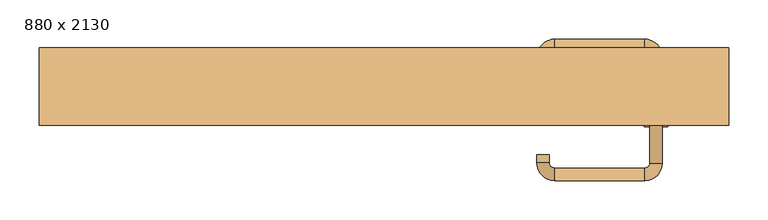
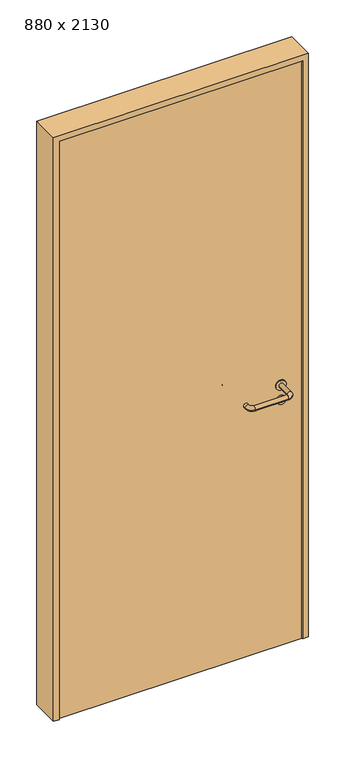
"""IFC4 building model written with IfcOpenShell, lengths in millimetres: door geometry, 880 x 2130."""

import ifcopenshell
import ifcopenshell.guid

model = None  # the IFC model being written
_history = None  # IfcOwnerHistory: only IFC2X3 demands one
_inside = {}  # id of a spatial element -> (the spatial element, [elements in it])
_under = {}  # id of a project, library or spatial element -> (it, [spatial elements below it])
_declared = {}  # id of a project -> (the project, [libraries it declares])
_typed = {}  # id of a type object -> (the type object, [elements of that type])
_made_of = {}  # id of a material, layer set ... -> (it, [elements and type objects made of it])


def new_model(schema):
    """Start an empty IFC model of exactly this schema.

    Asked for "IFC4X3", IfcOpenShell would pick the latest addendum, in which some entities
    have other attributes; the version numbers below select the first issue.
    IFC2X3 requires an IfcOwnerHistory on every rooted entity: one is made here for all.
    """
    global model, _history
    if schema == "IFC4X3":
        model = ifcopenshell.file(schema_version=(4, 3, 0, 0))
    else:
        model = ifcopenshell.file(schema=schema)
    _inside.clear()
    _under.clear()
    _declared.clear()
    _typed.clear()
    _made_of.clear()
    _history = None
    if model.schema == "IFC2X3":
        org = make("IfcOrganization", Name="unknown")
        user = make(
            "IfcPersonAndOrganization",
            ThePerson=make("IfcPerson", FamilyName="unknown"),
            TheOrganization=org,
        )
        app = make(
            "IfcApplication",
            ApplicationDeveloper=org,
            Version="unknown",
            ApplicationFullName="unknown",
            ApplicationIdentifier="unknown",
        )
        _history = make(
            "IfcOwnerHistory",
            OwningUser=user,
            OwningApplication=app,
            ChangeAction="ADDED",
            CreationDate=0,
        )
    return model


def make(cls, **values):
    """One entity of the class cls with the attributes given. An attribute that is None is left unset."""
    return model.create_entity(
        cls, **{name: value for name, value in values.items() if value is not None}
    )


def rooted(cls, **values):
    """An entity with a GlobalId (a new one), such as an element, a storey or a relation."""
    return make(cls, GlobalId=ifcopenshell.guid.new(), OwnerHistory=_history, **values)


def si_unit(unit_type, name, prefix=None):
    """IfcSIUnit, for example si_unit("LENGTHUNIT", "METRE", prefix="MILLI")."""
    return make("IfcSIUnit", UnitType=unit_type, Prefix=prefix, Name=name)


def assignment(units):
    """IfcUnitAssignment: the units of a project."""
    return None if units is None else make("IfcUnitAssignment", Units=units)


def point(xyz):
    """IfcCartesianPoint."""
    return None if xyz is None else make("IfcCartesianPoint", Coordinates=xyz)


def direction(xyz):
    """IfcDirection."""
    return None if xyz is None else make("IfcDirection", DirectionRatios=xyz)


def frame(location, z_axis=None, x_axis=None):
    """IfcAxis2Placement3D, a coordinate frame: its origin and axes. An axis left out is left unset."""
    return make(
        "IfcAxis2Placement3D",
        Location=point(location),
        Axis=direction(z_axis),
        RefDirection=direction(x_axis),
    )


def frame_2d(location, x_axis=None):
    """IfcAxis2Placement2D, a coordinate frame in the plane: its origin and x axis."""
    return make(
        "IfcAxis2Placement2D", Location=point(location), RefDirection=direction(x_axis)
    )


def origin():
    """The frame at (0, 0, 0) with its axes left unset."""
    return frame((0.0, 0.0, 0.0))


def origin_with_axes():
    """The frame at (0, 0, 0) with the z axis (0, 0, 1) and the x axis (1, 0, 0) written out."""
    return frame((0.0, 0.0, 0.0), z_axis=(0.0, 0.0, 1.0), x_axis=(1.0, 0.0, 0.0))


def place(relative_to, where):
    """IfcLocalPlacement: puts the frame where relative to a parent placement (None: the world)."""
    return make(
        "IfcLocalPlacement", PlacementRelTo=relative_to, RelativePlacement=where
    )


def context(
    kind, dimensions, precision=None, world=None, true_north=None, identifier=None
):
    """IfcGeometricRepresentationContext, for example the 3D "Model" context."""
    return make(
        "IfcGeometricRepresentationContext",
        ContextIdentifier=identifier,
        ContextType=kind,
        CoordinateSpaceDimension=dimensions,
        Precision=precision,
        WorldCoordinateSystem=world,
        TrueNorth=true_north,
    )


def project(units=None, contexts=None):
    """IfcProject with its units and contexts."""
    return rooted(
        "IfcProject",
        Name="project",
        RepresentationContexts=contexts,
        UnitsInContext=assignment(units),
    )


def spatial(cls, under=None, at=None, **own):
    """A site, building, storey or space (cls), placed at a placement, below another one or the project."""
    s = rooted(cls, ObjectPlacement=at, **own)
    if under is not None:
        _under.setdefault(under.id(), (under, []))[1].append(s)
    return s


def polyline(points):
    """IfcPolyline through the points."""
    return make("IfcPolyline", Points=[point(p) for p in points])


def circle_curve(where, radius):
    """IfcCircle in the frame where."""
    return make("IfcCircle", Position=where, Radius=radius)


def ellipse_curve(where, semi_axis1, semi_axis2):
    """IfcEllipse in the frame where."""
    return make(
        "IfcEllipse", Position=where, SemiAxis1=semi_axis1, SemiAxis2=semi_axis2
    )


def trimmed(basis, trim1, trim2, sense, master):
    """IfcTrimmedCurve: the piece of a basis curve between two trims."""
    return make(
        "IfcTrimmedCurve",
        BasisCurve=basis,
        Trim1=trim1,
        Trim2=trim2,
        SenseAgreement=sense,
        MasterRepresentation=master,
    )


def segment(curve, same_sense, transition):
    """IfcCompositeCurveSegment."""
    return make(
        "IfcCompositeCurveSegment",
        Transition=transition,
        SameSense=same_sense,
        ParentCurve=curve,
    )


def composite_curve(segments, self_intersect=None):
    """IfcCompositeCurve: segments joined end to end."""
    return make("IfcCompositeCurve", Segments=segments, SelfIntersect=self_intersect)


def outline(outer, holes=None, kind="AREA"):
    """IfcArbitraryClosedProfileDef: a profile drawn as a closed curve; with holes, ...WithVoids."""
    if holes is None:
        return make("IfcArbitraryClosedProfileDef", ProfileType=kind, OuterCurve=outer)
    return make(
        "IfcArbitraryProfileDefWithVoids",
        ProfileType=kind,
        OuterCurve=outer,
        InnerCurves=holes,
    )


def extrude(swept, where, along, depth):
    """IfcExtrudedAreaSolid: the profile swept, set in the frame where, extruded along a direction by depth."""
    return make(
        "IfcExtrudedAreaSolid",
        SweptArea=swept,
        Position=where,
        ExtrudedDirection=direction(along),
        Depth=depth,
    )


def shape(context_of_items, identifier, shape_type, items):
    """IfcShapeRepresentation: the items that make up one representation, for example the "Body"."""
    return make(
        "IfcShapeRepresentation",
        ContextOfItems=context_of_items,
        RepresentationIdentifier=identifier,
        RepresentationType=shape_type,
        Items=items,
    )


def source(mapping_origin, context_of_items, identifier, shape_type, items):
    """IfcRepresentationMap: a shape defined once, which mapped items show again and again."""
    return make(
        "IfcRepresentationMap",
        MappingOrigin=mapping_origin,
        MappedRepresentation=shape(context_of_items, identifier, shape_type, items),
    )


def transform(
    local_origin,
    x_axis=None,
    y_axis=None,
    z_axis=None,
    scale=None,
    scale2=None,
    scale3=None,
    uniform=True,
):
    """IfcCartesianTransformationOperator3D, or its non-uniform kind. x_axis, y_axis, z_axis: its Axis1, 2, 3."""
    if uniform:
        return make(
            "IfcCartesianTransformationOperator3D",
            Axis1=direction(x_axis),
            Axis2=direction(y_axis),
            LocalOrigin=point(local_origin),
            Scale=scale,
            Axis3=direction(z_axis),
        )
    return make(
        "IfcCartesianTransformationOperator3DnonUniform",
        Axis1=direction(x_axis),
        Axis2=direction(y_axis),
        LocalOrigin=point(local_origin),
        Scale=scale,
        Axis3=direction(z_axis),
        Scale2=scale2,
        Scale3=scale3,
    )


def mapped(mapping_source, mapping_target):
    """IfcMappedItem: shows the shape of a source again, moved by a transform."""
    return make(
        "IfcMappedItem", MappingSource=mapping_source, MappingTarget=mapping_target
    )


def made_of(thing, what):
    """Note that an element or type object is made of a material, layer set ...; save() writes the relation."""
    if what is not None:
        _made_of.setdefault(what.id(), (what, []))[1].append(thing)
    return thing


def element(
    cls,
    number,
    at=None,
    inside=None,
    cuts=None,
    type_object=None,
    material=None,
    context=None,
    identifier="Body",
    shape_type=None,
    held_by="IfcProductDefinitionShape",
    body=None,
    shapes=None,
    **own,
):
    """One element of the class cls, such as IfcWall. Its Tag is "e" and its number.

    at: its placement. inside: the storey or other place that contains it. cuts: it is an
    opening in that element (IfcRelVoidsElement). A single representation is given by context,
    identifier, shape_type and body (its items); several are given by shapes. held_by: the class
    of the entity that holds the representations. save() writes the other relations.
    """
    e = rooted(cls, Tag="e%d" % number, ObjectPlacement=at, **own)
    if body is not None:
        shapes = [shape(context, identifier, shape_type, body)]
    if shapes is not None:
        e.Representation = make(held_by, Representations=shapes)
    if inside is not None:
        _inside.setdefault(inside.id(), (inside, []))[1].append(e)
    if cuts is not None:
        rooted(
            "IfcRelVoidsElement", RelatingBuildingElement=cuts, RelatedOpeningElement=e
        )
    if type_object is not None:
        _typed.setdefault(type_object.id(), (type_object, []))[1].append(e)
    return made_of(e, material)


def aggregate(whole, parts):
    """IfcRelAggregates: a whole, such as a stair, and the parts it consists of."""
    return rooted("IfcRelAggregates", RelatingObject=whole, RelatedObjects=parts)


def save(model, path):
    """Write the relations noted so far, then the file.

    IfcRelAggregates (storeys below a building ...), IfcRelContainedInSpatialStructure (elements
    in a storey), IfcRelDefinesByType, IfcRelAssociatesMaterial and IfcRelDeclares: one each for
    every whole, place, type object, material and project.
    """
    for whole, parts in _under.values():
        aggregate(whole, parts)
    for where, things in _inside.values():
        rooted(
            "IfcRelContainedInSpatialStructure",
            RelatedElements=things,
            RelatingStructure=where,
        )
    for kind, things in _typed.values():
        rooted("IfcRelDefinesByType", RelatedObjects=things, RelatingType=kind)
    for what, things in _made_of.values():
        rooted("IfcRelAssociatesMaterial", RelatedObjects=things, RelatingMaterial=what)
    for by, libraries in _declared.values():
        rooted("IfcRelDeclares", RelatingContext=by, RelatedDefinitions=libraries)
    model.write(path)


def plane_surface(at):
    """IfcPlane: the flat surface through the origin of the frame at, square to its z axis."""
    return make("IfcPlane", Position=at)


def cylinder_surface(at, radius):
    """IfcCylindricalSurface: all points at the distance radius from the z axis of the frame at."""
    return make("IfcCylindricalSurface", Position=at, Radius=radius)


def revolved_surface(curve, axis_point, axis_direction):
    """IfcSurfaceOfRevolution: the curve turned about the line through axis_point along axis_direction."""
    return make(
        "IfcSurfaceOfRevolution",
        SweptCurve=make("IfcArbitraryOpenProfileDef", ProfileType="CURVE", Curve=curve),
        AxisPosition=make("IfcAxis1Placement", Location=point(axis_point), Axis=direction(axis_direction)),
    )


def advanced_brep(points, edges, surfaces, faces):
    """IfcAdvancedBrep: a solid bounded by faces that lie on surfaces and meet in shared edges.

    An edge is (start, end): straight between two places in points (the first is 0);
    or (start, end, curve); or (start, end, curve, False) where it runs against its curve.
    A face is (place in surfaces, loops), or (place, loops, False) where it looks against
    its surface's normal. A loop lists edges by number (the first is 1), with a minus sign
    where the edge is run from its end to its start. The first loop is the outer one.
    """
    corners = [point(p) for p in points]
    vertices = [make("IfcVertexPoint", VertexGeometry=c) for c in corners]
    made = []
    for start, end, *more in edges:
        made.append(
            make(
                "IfcEdgeCurve",
                EdgeStart=vertices[start],
                EdgeEnd=vertices[end],
                EdgeGeometry=more[0] if more else make("IfcPolyline", Points=[corners[start], corners[end]]),
                SameSense=more[1] if len(more) > 1 else True,
            )
        )
    hull = []
    for where, loops, *sense in faces:
        bounds = []
        for j, loop in enumerate(loops):
            ring = [make("IfcOrientedEdge", EdgeElement=made[abs(k) - 1], Orientation=k > 0) for k in loop]
            bounds.append(
                make(
                    "IfcFaceOuterBound" if j == 0 else "IfcFaceBound",
                    Bound=make("IfcEdgeLoop", EdgeList=ring),
                    Orientation=True,
                )
            )
        hull.append(make("IfcAdvancedFace", Bounds=bounds, FaceSurface=surfaces[where], SameSense=sense[0] if sense else True))
    return make("IfcAdvancedBrep", Outer=make("IfcClosedShell", CfsFaces=hull))


def door_880_x_2130_bc393375(model_context):
    return source(origin(), model_context, "Body", "SolidModel", [
        extrude(outline(composite_curve([segment(trimmed(circle_curve(frame_2d((897.3605726, 347.0)), 15.0), [point((897.3605726, 362.0))], [point((897.3605726, 332.0))], False, "CARTESIAN"), True, "CONTINUOUS"), segment(trimmed(circle_curve(frame_2d((897.3605726, 347.0)), 15.0), [point((897.3605726, 332.0))], [point((897.3605726, 362.0))], False, "CARTESIAN"), True, "CONTINUOUS")], self_intersect=False), holes=[composite_curve([segment(trimmed(circle_curve(frame_2d((892.5833211, 346.9398032)), 2.0), [point((892.5833211, 348.9398032))], [point((892.5833211, 344.9398032))], True, "CARTESIAN"), True, "CONTINUOUS"), segment(polyline([(892.5833211, 344.9398032), (902.5833211, 344.9398032)]), True, "CONTINUOUS"), segment(trimmed(circle_curve(frame_2d((902.5833211, 346.9398032)), 2.0), [point((902.5833211, 344.9398032))], [point((902.5833211, 348.9398032))], True, "CARTESIAN"), True, "CONTINUOUS"), segment(polyline([(902.5833211, 348.9398032), (892.5833211, 348.9398032)]), True, "CONTINUOUS")], self_intersect=False)]), frame((0.0, -15.0, 0.0), z_axis=(0.0, 1.0, 0.0), x_axis=(0.0, 0.0, 1.0)), (0.0, 0.0, 1.0), 6.35),
        extrude(outline(composite_curve([segment(trimmed(circle_curve(frame_2d((950.0, 347.0)), 17.526), [point((950.0, 364.526))], [point((950.0, 329.474))], False, "CARTESIAN"), True, "CONTINUOUS"), segment(trimmed(circle_curve(frame_2d((950.0, 347.0)), 17.526), [point((950.0, 329.474))], [point((950.0, 364.526))], False, "CARTESIAN"), True, "CONTINUOUS")], self_intersect=False)), frame((0.0, -15.0, 0.0), z_axis=(0.0, 1.0, 0.0), x_axis=(0.0, 0.0, 1.0)), (0.0, 0.0, 1.0), 3.175),
        advanced_brep(
        [(355.0, -15.0, 950.0), (339.0, -15.0, 950.0), (355.0, 38.0, 950.0), (339.0, 38.0, 950.0), (332.8578644, 44.1421356, 950.0), (332.8578644, 60.1421356, 950.0), (217.8578644, 60.1421356, 950.0), (217.8578644, 44.1421356, 950.0), (211.008622, 37.2928932, 950.0), (195.008622, 37.2928932, 950.0), (195.008622, 27.2928932, 950.0), (211.008622, 27.2928932, 950.0)],
        [
            (0, 1, circle_curve(frame((347.0, -15.0, 950.0), z_axis=(0.0, -1.0, 0.0), x_axis=(-1.0, 0.0, 0.0)), 8.0)),
            (1, 0, circle_curve(frame((347.0, -15.0, 950.0), z_axis=(0.0, -1.0, 0.0), x_axis=(-1.0, 0.0, 0.0)), 8.0)),
            (0, 2),
            (2, 3, circle_curve(frame((347.0, 38.0, 950.0), z_axis=(0.0, -1.0, 0.0), x_axis=(-1.0, 0.0, 0.0)), 8.0)),
            (3, 1),
            (3, 2, circle_curve(frame((347.0, 38.0, 950.0), z_axis=(0.0, -1.0, 0.0), x_axis=(-1.0, 0.0, 0.0)), 8.0)),
            (4, 3, circle_curve(frame((332.8578644, 38.0, 950.0), z_axis=(0.0, 0.0, -1.0), x_axis=(1.0, 0.0, 0.0)), 6.1421356)),
            (2, 5, circle_curve(frame((332.8578644, 38.0, 950.0), z_axis=(0.0, 0.0, 1.0), x_axis=(1.0, 0.0, 0.0)), 22.1421356)),
            (5, 4, circle_curve(frame((332.8578644, 52.1421356, 950.0), z_axis=(1.0, 0.0, 0.0), x_axis=(0.0, -1.0, 0.0)), 8.0)),
            (4, 5, circle_curve(frame((332.8578644, 52.1421356, 950.0), z_axis=(1.0, 0.0, 0.0), x_axis=(0.0, -1.0, 0.0)), 8.0)),
            (5, 6),
            (6, 7, circle_curve(frame((217.8578644, 52.1421356, 950.0), z_axis=(1.0, 0.0, 0.0), x_axis=(0.0, -1.0, 0.0)), 8.0)),
            (7, 4),
            (7, 6, circle_curve(frame((217.8578644, 52.1421356, 950.0), z_axis=(1.0, 0.0, 0.0), x_axis=(0.0, -1.0, 0.0)), 8.0)),
            (8, 7, circle_curve(frame((217.8578644, 37.2928932, 950.0), z_axis=(0.0, 0.0, -1.0), x_axis=(0.0, 1.0, 0.0)), 6.8492424)),
            (6, 9, circle_curve(frame((217.8578644, 37.2928932, 950.0), z_axis=(0.0, 0.0, 1.0), x_axis=(0.0, 1.0, 0.0)), 22.8492424)),
            (9, 8, circle_curve(frame((203.008622, 37.2928932, 950.0), z_axis=(0.0, 1.0, 0.0), x_axis=(1.0, 0.0, 0.0)), 8.0)),
            (8, 9, circle_curve(frame((203.008622, 37.2928932, 950.0), z_axis=(0.0, 1.0, 0.0), x_axis=(1.0, 0.0, 0.0)), 8.0)),
            (10, 11, circle_curve(frame((203.008622, 27.2928932, 950.0), z_axis=(0.0, -1.0, 0.0), x_axis=(1.0, 0.0, 0.0)), 8.0)),
            (11, 10, circle_curve(frame((203.008622, 27.2928932, 950.0), z_axis=(0.0, -1.0, 0.0), x_axis=(1.0, 0.0, 0.0)), 8.0)),
            (9, 10),
            (11, 8),
        ],
        [
            plane_surface(frame((347.0, -15.0, 0.0), z_axis=(0.0, -1.0, 0.0), x_axis=(0.0, 0.0, 1.0))),
            cylinder_surface(frame((347.0, -15.0, 950.0), z_axis=(0.0, -1.0, 0.0), x_axis=(-1.0, 0.0, 0.0)), 8.0),
            revolved_surface(trimmed(ellipse_curve(frame((347.0, 38.0, 950.0), z_axis=(0.0, -1.0, 0.0), x_axis=(-1.0, 0.0, 0.0)), 8.0, 8.0), [point((355.0, 38.0, 950.0))], [point((339.0, 38.0, 950.0))], True, "CARTESIAN"), (332.8578644, 38.0, 0.0), (0.0, 0.0, 1.0)),
            revolved_surface(trimmed(ellipse_curve(frame((347.0, 38.0, 950.0), z_axis=(0.0, -1.0, 0.0), x_axis=(-1.0, 0.0, 0.0)), 8.0, 8.0), [point((339.0, 38.0, 950.0))], [point((355.0, 38.0, 950.0))], True, "CARTESIAN"), (332.8578644, 38.0, 0.0), (0.0, 0.0, 1.0)),
            cylinder_surface(frame((332.8578644, 52.1421356, 950.0), z_axis=(1.0, 0.0, 0.0), x_axis=(0.0, -1.0, 0.0)), 8.0),
            revolved_surface(trimmed(ellipse_curve(frame((217.8578644, 52.1421356, 950.0), z_axis=(1.0, 0.0, 0.0), x_axis=(0.0, -1.0, 0.0)), 8.0, 8.0), [point((217.8578644, 60.1421356, 950.0))], [point((217.8578644, 44.1421356, 950.0))], True, "CARTESIAN"), (217.8578644, 37.2928932, 0.0), (0.0, 0.0, 1.0)),
            revolved_surface(trimmed(ellipse_curve(frame((217.8578644, 52.1421356, 950.0), z_axis=(1.0, 0.0, 0.0), x_axis=(0.0, -1.0, 0.0)), 8.0, 8.0), [point((217.8578644, 44.1421356, 950.0))], [point((217.8578644, 60.1421356, 950.0))], True, "CARTESIAN"), (217.8578644, 37.2928932, 0.0), (0.0, 0.0, 1.0)),
            plane_surface(frame((203.008622, 27.2928932, 0.0), z_axis=(0.0, -1.0, 0.0), x_axis=(0.0, 0.0, 1.0))),
            cylinder_surface(frame((203.008622, 37.2928932, 950.0), z_axis=(0.0, 1.0, 0.0), x_axis=(1.0, 0.0, 0.0)), 8.0),
        ],
        [
            (0, [[1, 2]]),
            (1, [[-1, 3, 4, 5]]),
            (1, [[-2, -5, 6, -3]]),
            (2, [[7, -4, 8, 9]]),
            (3, [[-8, -6, -7, 10]]),
            (4, [[-9, 11, 12, 13]]),
            (4, [[-10, -13, 14, -11]]),
            (5, [[15, -12, 16, 17]]),
            (6, [[-16, -14, -15, 18]]),
            (7, [[19, 20]]),
            (8, [[-17, 21, -20, 22]]),
            (8, [[-18, -22, -19, -21]]),
        ],
    ),
        extrude(outline(composite_curve([segment(trimmed(circle_curve(frame_2d((0.0, 15.0)), 15.0), [point((0.0, 30.0))], [point((0.0, 0.0))], False, "CARTESIAN"), True, "CONTINUOUS"), segment(trimmed(circle_curve(frame_2d((0.0, 15.0)), 15.0), [point((0.0, 0.0))], [point((0.0, 30.0))], False, "CARTESIAN"), True, "CONTINUOUS")], self_intersect=False), holes=[composite_curve([segment(trimmed(circle_curve(frame_2d((-4.7772515, 14.9398032)), 2.0), [point((-4.7772515, 16.9398032))], [point((-4.7772515, 12.9398032))], True, "CARTESIAN"), True, "CONTINUOUS"), segment(polyline([(-4.7772515, 12.9398032), (5.2227485, 12.9398032)]), True, "CONTINUOUS"), segment(trimmed(circle_curve(frame_2d((5.2227485, 14.9398032)), 2.0), [point((5.2227485, 12.9398032))], [point((5.2227485, 16.9398032))], True, "CARTESIAN"), True, "CONTINUOUS"), segment(polyline([(5.2227485, 16.9398032), (-4.7772515, 16.9398032)]), True, "CONTINUOUS")], self_intersect=False)]), frame((332.0, -51.35, 897.3605726), z_axis=(-1.8870575173328306e-12, 1.0, 0.0), x_axis=(0.0, 0.0, 1.0)), (0.0, 0.0, 1.0), 6.35),
        extrude(outline(composite_curve([segment(trimmed(circle_curve(frame_2d((0.0, 17.526)), 17.526), [point((0.0, 35.052))], [point((0.0, 0.0))], False, "CARTESIAN"), True, "CONTINUOUS"), segment(trimmed(circle_curve(frame_2d((0.0, 17.526)), 17.526), [point((0.0, 0.0))], [point((0.0, 35.052))], False, "CARTESIAN"), True, "CONTINUOUS")], self_intersect=False)), frame((329.474, -48.175, 950.0), z_axis=(-1.8870575173328306e-12, 1.0, 0.0), x_axis=(0.0, 0.0, 1.0)), (0.0, 0.0, 1.0), 3.175),
        advanced_brep(
        [(355.0, -45.0, 950.0), (339.0, -45.0, 950.0), (339.0, -98.0, 950.0), (355.0, -98.0, 950.0), (332.8578644, -104.1421356, 950.0), (332.8578644, -120.1421356, 950.0), (217.8578644, -104.1421356, 950.0), (217.8578644, -120.1421356, 950.0), (211.008622, -97.2928932, 950.0), (195.008622, -97.2928932, 950.0), (195.008622, -87.2928932, 950.0), (211.008622, -87.2928932, 950.0)],
        [
            (0, 1, circle_curve(frame((347.0, -45.0, 950.0), z_axis=(-1.888672253512351e-12, 1.0, 0.0), x_axis=(-1.0, -1.888672253512351e-12, 0.0)), 8.0)),
            (1, 0, circle_curve(frame((347.0, -45.0, 950.0), z_axis=(-1.888672253512351e-12, 1.0, 0.0), x_axis=(-1.0, -1.888672253512351e-12, 0.0)), 8.0)),
            (1, 2),
            (2, 3, circle_curve(frame((347.0, -98.0, 950.0), z_axis=(-1.888672253512351e-12, 1.0, 0.0), x_axis=(-1.0, -1.888672253512351e-12, 0.0)), 8.0)),
            (3, 0),
            (3, 2, circle_curve(frame((347.0, -98.0, 950.0), z_axis=(-1.888672253512351e-12, 1.0, 0.0), x_axis=(-1.0, -1.888672253512351e-12, 0.0)), 8.0)),
            (4, 5, circle_curve(frame((332.8578644, -112.1421356, 950.0), z_axis=(1.0, 1.913702061528922e-12, 0.0), x_axis=(-1.913702061528922e-12, 1.0, 0.0)), 8.0)),
            (5, 3, circle_curve(frame((332.8578644, -98.0, 950.0), z_axis=(0.0, 0.0, 1.0), x_axis=(1.0, 1.880717803715015e-12, 0.0)), 22.1421356)),
            (2, 4, circle_curve(frame((332.8578644, -98.0, 950.0), z_axis=(0.0, 0.0, -1.0), x_axis=(1.0, 1.880717803715015e-12, 0.0)), 6.1421356)),
            (5, 4, circle_curve(frame((332.8578644, -112.1421356, 950.0), z_axis=(1.0, 1.913702061528922e-12, 0.0), x_axis=(-1.913702061528922e-12, 1.0, 0.0)), 8.0)),
            (4, 6),
            (6, 7, circle_curve(frame((217.8578644, -112.1421356, 950.0), z_axis=(1.0, 1.913719828541269e-12, 0.0), x_axis=(-1.913719828541269e-12, 1.0, 0.0)), 8.0)),
            (7, 5),
            (7, 6, circle_curve(frame((217.8578644, -112.1421356, 950.0), z_axis=(1.0, 1.913719828541269e-12, 0.0), x_axis=(-1.913719828541269e-12, 1.0, 0.0)), 8.0)),
            (8, 9, circle_curve(frame((203.008622, -97.2928932, 950.0), z_axis=(1.8888942981172756e-12, -1.0, 0.0), x_axis=(1.0, 1.8888942981172756e-12, 0.0)), 8.0)),
            (9, 7, circle_curve(frame((217.8578644, -97.2928932, 950.0), z_axis=(0.0, 0.0, 1.0), x_axis=(1.9120873253494017e-12, -1.0, 0.0)), 22.8492424)),
            (6, 8, circle_curve(frame((217.8578644, -97.2928932, 950.0), z_axis=(0.0, 0.0, -1.0), x_axis=(1.9120873253494017e-12, -1.0, 0.0)), 6.8492424)),
            (9, 8, circle_curve(frame((203.008622, -97.2928932, 950.0), z_axis=(1.890448610351751e-12, -1.0, 0.0), x_axis=(1.0, 1.890448610351751e-12, 0.0)), 8.0)),
            (10, 11, circle_curve(frame((203.008622, -87.2928932, 950.0), z_axis=(-1.8903642334018795e-12, 1.0, 0.0), x_axis=(1.0, 1.8903642334018795e-12, 0.0)), 8.0)),
            (11, 10, circle_curve(frame((203.008622, -87.2928932, 950.0), z_axis=(-1.8903642334018795e-12, 1.0, 0.0), x_axis=(1.0, 1.8903642334018795e-12, 0.0)), 8.0)),
            (8, 11),
            (10, 9),
        ],
        [
            plane_surface(frame((347.0, -45.0, 0.0), z_axis=(-1.8870575173328306e-12, 1.0, 0.0), x_axis=(0.0, 0.0, 1.0))),
            cylinder_surface(frame((347.0, -45.0, 950.0), z_axis=(-1.888672253512351e-12, 1.0, 0.0), x_axis=(-1.0, -1.888672253512351e-12, 0.0)), 8.0),
            revolved_surface(trimmed(ellipse_curve(frame((347.0, -98.0, 950.0), z_axis=(1.8823325398945356e-12, -1.0, 0.0), x_axis=(-1.0, -1.8823325398945356e-12, 0.0)), 8.0, 8.0), [point((355.0, -98.0, 950.0))], [point((339.0, -98.0, 950.0))], True, "CARTESIAN"), (332.8578644, -98.0, 0.0), (0.0, 0.0, 1.0)),
            revolved_surface(trimmed(ellipse_curve(frame((347.0, -98.0, 950.0), z_axis=(1.8823325398945356e-12, -1.0, 0.0), x_axis=(-1.0, -1.8823325398945356e-12, 0.0)), 8.0, 8.0), [point((339.0, -98.0, 950.0))], [point((355.0, -98.0, 950.0))], True, "CARTESIAN"), (332.8578644, -98.0, 0.0), (0.0, 0.0, 1.0)),
            cylinder_surface(frame((332.8578644, -112.1421356, 950.0), z_axis=(1.0, 1.913719828541269e-12, 0.0), x_axis=(-1.913719828541269e-12, 1.0, 0.0)), 8.0),
            revolved_surface(trimmed(ellipse_curve(frame((217.8578644, -112.1421356, 950.0), z_axis=(-1.0, -1.913702061528922e-12, 0.0), x_axis=(-1.913702061528922e-12, 1.0, 0.0)), 8.0, 8.0), [point((217.8578644, -120.1421356, 950.0))], [point((217.8578644, -104.1421356, 950.0))], True, "CARTESIAN"), (217.8578644, -97.2928932, 0.0), (0.0, 0.0, 1.0)),
            revolved_surface(trimmed(ellipse_curve(frame((217.8578644, -112.1421356, 950.0), z_axis=(-1.0, -1.913702061528922e-12, 0.0), x_axis=(-1.913702061528922e-12, 1.0, 0.0)), 8.0, 8.0), [point((217.8578644, -104.1421356, 950.0))], [point((217.8578644, -120.1421356, 950.0))], True, "CARTESIAN"), (217.8578644, -97.2928932, 0.0), (0.0, 0.0, 1.0)),
            plane_surface(frame((203.008622, -87.2928932, 0.0), z_axis=(-1.8887494972223595e-12, 1.0, 0.0), x_axis=(0.0, 0.0, 1.0))),
            cylinder_surface(frame((203.008622, -97.2928932, 950.0), z_axis=(1.8903642334018795e-12, -1.0, 0.0), x_axis=(1.0, 1.8903642334018795e-12, 0.0)), 8.0),
        ],
        [
            (0, [[1, 2]]),
            (1, [[3, 4, 5, -2]]),
            (1, [[-5, 6, -3, -1]]),
            (2, [[7, 8, -4, 9]]),
            (3, [[10, -9, -6, -8]]),
            (4, [[11, 12, 13, -7]]),
            (4, [[-13, 14, -11, -10]]),
            (5, [[15, 16, -12, 17]]),
            (6, [[18, -17, -14, -16]]),
            (7, [[19, 20]]),
            (8, [[21, -19, 22, -15]]),
            (8, [[-22, -20, -21, -18]]),
        ],
    ),
        extrude(outline(polyline([(2110.0, 420.0), (0.0, 420.0), (0.0, 440.0), (2130.0, 440.0), (2130.0, -440.0), (0.0, -440.0), (0.0, -420.0), (2110.0, -420.0), (2110.0, 420.0)])), frame((0.0, -50.0, 0.0), z_axis=(0.0, 1.0, 0.0), x_axis=(0.0, 0.0, 1.0)), (0.0, 0.0, 1.0), 99.0),
        extrude(outline(polyline([(-420.0, -45.0), (-420.0, -15.0), (420.0, -15.0), (420.0, -45.0), (-420.0, -45.0)])), origin_with_axes(), (0.0, 0.0, 1.0), 2110.0),
    ])


if __name__ == "__main__":
    model = new_model("IFC4")
    model_context = context("Model", 3, world=origin())
    ifc_project = project(units=[si_unit("LENGTHUNIT", "METRE", prefix="MILLI")], contexts=[model_context])
    site = spatial("IfcSite", under=ifc_project)
    building = spatial("IfcBuilding", under=site)
    placement = place(None, origin())
    door_880_x_2130_shape = door_880_x_2130_bc393375(model_context)
    element("IfcDoor", 1, ObjectType="880 x 2130", at=placement, inside=building, context=model_context, shape_type="MappedRepresentation", body=[
        mapped(door_880_x_2130_shape, transform((0.0, 0.0, 0.0), x_axis=(1.0, 0.0, 0.0), y_axis=(0.0, 1.0, 0.0), z_axis=(0.0, 0.0, 1.0))),
    ])
    save(model, "model.ifc")
